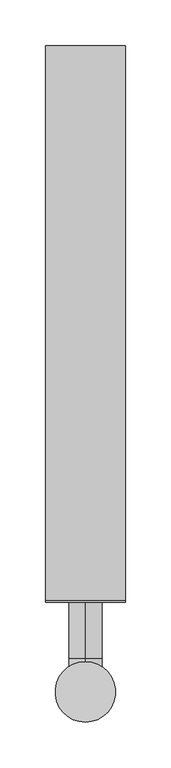
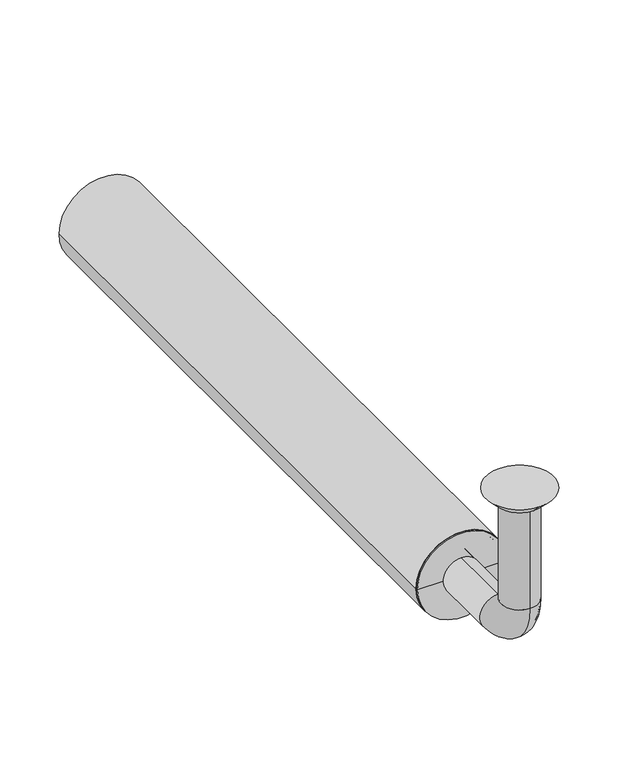
"""IFC4 building model written with IfcOpenShell, lengths in millimetres: beam geometry."""

from ifc_helpers import new_model, si_unit, point, frame, frame_2d, origin, place, context, project, spatial, polyline, circle_curve, ellipse_curve, trimmed, segment, composite_curve, outline, extrude, source, transform, mapped, element, save
from ifc_brep_helpers import plane_surface, cylinder_surface, revolved_surface, advanced_brep


def beam_991f5511(model_context):
    return source(origin(), model_context, "Body", "SolidModel", [
        extrude(outline(composite_curve([segment(trimmed(circle_curve(frame_2d((-150.0, 0.0)), 43.5), [point((-150.0, 43.5))], [point((-150.0, -43.5))], False, "CARTESIAN"), True, "CONTINUOUS"), segment(trimmed(circle_curve(frame_2d((-150.0, 0.0)), 43.5), [point((-150.0, -43.5))], [point((-150.0, 43.5))], False, "CARTESIAN"), True, "CONTINUOUS")], self_intersect=False), holes=[composite_curve([segment(trimmed(circle_curve(frame_2d((-150.0, 0.0)), 40.5), [point((-150.0, 40.5))], [point((-150.0, -40.5))], True, "CARTESIAN"), True, "CONTINUOUS"), segment(trimmed(circle_curve(frame_2d((-150.0, 0.0)), 40.5), [point((-150.0, -40.5))], [point((-150.0, 40.5))], True, "CARTESIAN"), True, "CONTINUOUS")], self_intersect=False)]), frame((0.0, 100.0, 0.0), z_axis=(0.0, 1.0, 0.0), x_axis=(0.0, 0.0, 1.0)), (0.0, 0.0, 1.0), 605.0),
        advanced_brep(
        [(0.0, -18.0, -10.0), (0.0, 18.0, -10.0), (0.0, -17.0, -10.0), (0.0, 17.0, -10.0), (0.0, -18.0, -114.0), (0.0, 18.0, -114.0), (0.0, -17.0, -114.0), (0.0, 17.0, -114.0), (0.0, 36.0, -132.0), (0.0, 36.0, -168.0), (0.0, 36.0, -133.0), (0.0, 36.0, -167.0), (0.0, 123.0, -168.0), (0.0, 123.0, -132.0), (0.0, 123.0, -167.0), (0.0, 123.0, -133.0)],
        [
            (0, 1, circle_curve(frame((0.0, 0.0, -10.0), z_axis=(0.0, 0.0, 1.0), x_axis=(0.0, 1.0, 0.0)), 18.0)),
            (1, 0, circle_curve(frame((0.0, 0.0, -10.0), z_axis=(0.0, 0.0, 1.0), x_axis=(0.0, 1.0, 0.0)), 18.0)),
            (2, 3, circle_curve(frame((0.0, 0.0, -10.0), z_axis=(0.0, 0.0, -1.0), x_axis=(0.0, 1.0, 0.0)), 17.0)),
            (3, 2, circle_curve(frame((0.0, 0.0, -10.0), z_axis=(0.0, 0.0, -1.0), x_axis=(0.0, 1.0, 0.0)), 17.0)),
            (0, 4),
            (4, 5, circle_curve(frame((0.0, 0.0, -114.0), z_axis=(0.0, 0.0, 1.0), x_axis=(0.0, 1.0, 0.0)), 18.0)),
            (5, 1),
            (5, 4, circle_curve(frame((0.0, 0.0, -114.0), z_axis=(0.0, 0.0, 1.0), x_axis=(0.0, 1.0, 0.0)), 18.0)),
            (2, 6),
            (6, 7, circle_curve(frame((0.0, 0.0, -114.0), z_axis=(0.0, 0.0, -1.0), x_axis=(0.0, 1.0, 0.0)), 17.0)),
            (7, 3),
            (7, 6, circle_curve(frame((0.0, 0.0, -114.0), z_axis=(0.0, 0.0, -1.0), x_axis=(0.0, 1.0, 0.0)), 17.0)),
            (8, 5, circle_curve(frame((0.0, 36.0, -114.0), z_axis=(-1.0, 0.0, 0.0), x_axis=(0.0, -1.0, 0.0)), 18.0)),
            (4, 9, circle_curve(frame((0.0, 36.0, -114.0), z_axis=(1.0, 0.0, 0.0), x_axis=(0.0, -1.0, 0.0)), 54.0)),
            (9, 8, circle_curve(frame((0.0, 36.0, -150.0), z_axis=(0.0, -1.0, 0.0), x_axis=(0.0, 0.0, 1.0)), 18.0)),
            (8, 9, circle_curve(frame((0.0, 36.0, -150.0), z_axis=(0.0, -1.0, 0.0), x_axis=(0.0, 0.0, 1.0)), 18.0)),
            (10, 7, circle_curve(frame((0.0, 36.0, -114.0), z_axis=(-1.0, 0.0, 0.0), x_axis=(0.0, -1.0, 0.0)), 19.0)),
            (6, 11, circle_curve(frame((0.0, 36.0, -114.0), z_axis=(1.0, 0.0, 0.0), x_axis=(0.0, -1.0, 0.0)), 53.0)),
            (11, 10, circle_curve(frame((0.0, 36.0, -150.0), z_axis=(0.0, 1.0, 0.0), x_axis=(0.0, 0.0, 1.0)), 17.0)),
            (10, 11, circle_curve(frame((0.0, 36.0, -150.0), z_axis=(0.0, 1.0, 0.0), x_axis=(0.0, 0.0, 1.0)), 17.0)),
            (12, 13, circle_curve(frame((0.0, 123.0, -150.0), z_axis=(0.0, 1.0, 0.0), x_axis=(0.0, 0.0, 1.0)), 18.0)),
            (13, 12, circle_curve(frame((0.0, 123.0, -150.0), z_axis=(0.0, 1.0, 0.0), x_axis=(0.0, 0.0, 1.0)), 18.0)),
            (14, 15, circle_curve(frame((0.0, 123.0, -150.0), z_axis=(0.0, -1.0, 0.0), x_axis=(0.0, 0.0, 1.0)), 17.0)),
            (15, 14, circle_curve(frame((0.0, 123.0, -150.0), z_axis=(0.0, -1.0, 0.0), x_axis=(0.0, 0.0, 1.0)), 17.0)),
            (9, 12),
            (13, 8),
            (11, 14),
            (15, 10),
        ],
        [
            plane_surface(frame((0.0, 0.0, -10.0), z_axis=(0.0, 0.0, 1.0), x_axis=(1.0, 0.0, 0.0))),
            cylinder_surface(frame((0.0, 0.0, -10.0), z_axis=(0.0, 0.0, 1.0), x_axis=(0.0, 1.0, 0.0)), 18.0),
            revolved_surface(polyline([(0.0, 17.0, -114.0), (0.0, 17.0, -10.0)]), (0.0, 0.0, -10.0), (0.0, 0.0, -1.0)),
            revolved_surface(trimmed(ellipse_curve(frame((0.0, 0.0, -114.0), z_axis=(0.0, 0.0, 1.0), x_axis=(0.0, 1.0, 0.0)), 18.0, 18.0), [point((0.0, -18.0, -114.0))], [point((0.0, 18.0, -114.0))], True, "CARTESIAN"), (0.0, 36.0, -114.0), (1.0, 0.0, 0.0)),
            revolved_surface(trimmed(ellipse_curve(frame((0.0, 0.0, -114.0), z_axis=(0.0, 0.0, 1.0), x_axis=(0.0, 1.0, 0.0)), 18.0, 18.0), [point((0.0, 18.0, -114.0))], [point((0.0, -18.0, -114.0))], True, "CARTESIAN"), (0.0, 36.0, -114.0), (1.0, 0.0, 0.0)),
            revolved_surface(trimmed(ellipse_curve(frame((0.0, 0.0, -114.0), z_axis=(0.0, 0.0, -1.0), x_axis=(0.0, 1.0, 0.0)), 17.0, 17.0), [point((0.0, -17.0, -114.0))], [point((0.0, 17.0, -114.0))], True, "CARTESIAN"), (0.0, 36.0, -114.0), (1.0, 0.0, 0.0)),
            revolved_surface(trimmed(ellipse_curve(frame((0.0, 0.0, -114.0), z_axis=(0.0, 0.0, -1.0), x_axis=(0.0, 1.0, 0.0)), 17.0, 17.0), [point((0.0, 17.0, -114.0))], [point((0.0, -17.0, -114.0))], True, "CARTESIAN"), (0.0, 36.0, -114.0), (1.0, 0.0, 0.0)),
            plane_surface(frame((0.0, 123.0, -150.0), z_axis=(0.0, 1.0, 0.0), x_axis=(1.0, 0.0, 0.0))),
            cylinder_surface(frame((0.0, 36.0, -150.0), z_axis=(0.0, -1.0, 0.0), x_axis=(0.0, 0.0, 1.0)), 18.0),
            revolved_surface(polyline([(0.0, 123.0, -133.0), (0.0, 36.0, -133.0)]), (0.0, 36.0, -150.0), (0.0, 1.0, 0.0)),
        ],
        [
            (0, [[1, 2], [3, 4]]),
            (1, [[-1, 5, 6, 7]]),
            (1, [[-2, -7, 8, -5]]),
            (2, [[-3, 9, 10, 11]]),
            (2, [[-4, -11, 12, -9]]),
            (3, [[13, -6, 14, 15]]),
            (4, [[-14, -8, -13, 16]]),
            (5, [[17, -10, 18, 19]]),
            (6, [[-18, -12, -17, 20]]),
            (7, [[21, 22], [23, 24]]),
            (8, [[-15, 25, -22, 26]]),
            (8, [[-16, -26, -21, -25]]),
            (9, [[-19, 27, -24, 28]]),
            (9, [[-20, -28, -23, -27]]),
        ],
    ),
        advanced_brep(
        [(0.0, 23.0, -10.0), (0.0, -23.0, -10.0), (0.0, 33.0, 0.0), (0.0, -33.0, 0.0)],
        [
            (0, 1, circle_curve(frame((0.0, 0.0, -10.0), z_axis=(0.0, 0.0, -1.0), x_axis=(0.0, 1.0, 0.0)), 23.0)),
            (1, 0, circle_curve(frame((0.0, 0.0, -10.0), z_axis=(0.0, 0.0, -1.0), x_axis=(0.0, -1.0, 0.0)), 23.0)),
            (2, 3, circle_curve(frame((0.0, 0.0, 0.0), z_axis=(0.0, 0.0, 1.0), x_axis=(0.0, -1.0, 0.0)), 33.0)),
            (3, 2, circle_curve(frame((0.0, 0.0, 0.0), z_axis=(0.0, 0.0, 1.0), x_axis=(0.0, 1.0, 0.0)), 33.0)),
            (3, 1),
            (0, 2),
        ],
        [
            plane_surface(frame((0.0, 0.0, -10.0), z_axis=(0.0, 0.0, -1.0), x_axis=(-1.0, 0.0, 0.0))),
            plane_surface(frame((0.0, 0.0, 0.0), z_axis=(0.0, 0.0, 1.0), x_axis=(-1.0, 0.0, 0.0))),
            revolved_surface(polyline([(0.0, 23.0, -10.0), (0.0, 33.0, 0.0)]), (0.0, 0.0, -33.0), (0.0, 0.0, 1.0)),
            revolved_surface(polyline([(0.0, -23.0, -10.0), (0.0, -33.0, 0.0)]), (0.0, 0.0, -33.0), (0.0, 0.0, 1.0)),
        ],
        [
            (0, [[1, 2]]),
            (1, [[3, 4]]),
            (2, [[-4, 5, -1, 6]]),
            (3, [[-3, -6, -2, -5]]),
        ],
    ),
        advanced_brep(
        [(40.5, 100.0, -150.0), (-40.5, 100.0, -150.0), (-40.5, 123.0, -150.0), (40.5, 123.0, -150.0), (-18.0, 123.0, -150.0), (18.0, 123.0, -150.0), (-18.0, 98.0, -150.0), (18.0, 98.0, -150.0), (-43.5, 98.0, -150.0), (43.5, 98.0, -150.0), (-43.5, 100.0, -150.0), (43.5, 100.0, -150.0)],
        [
            (0, 1, circle_curve(frame((0.0, 100.0, -150.0), z_axis=(0.0, 1.0, 0.0), x_axis=(-1.0, 0.0, 0.0)), 40.5)),
            (1, 2),
            (2, 3, circle_curve(frame((0.0, 123.0, -150.0), z_axis=(0.0, -1.0, 0.0), x_axis=(-1.0, 0.0, 0.0)), 40.5)),
            (3, 0),
            (1, 0, circle_curve(frame((0.0, 100.0, -150.0), z_axis=(0.0, 1.0, 0.0), x_axis=(-1.0, 0.0, 0.0)), 40.5)),
            (3, 2, circle_curve(frame((0.0, 123.0, -150.0), z_axis=(0.0, -1.0, 0.0), x_axis=(-1.0, 0.0, 0.0)), 40.5)),
            (2, 4),
            (4, 5, circle_curve(frame((0.0, 123.0, -150.0), z_axis=(0.0, -1.0, 0.0), x_axis=(-1.0, 0.0, 0.0)), 18.0)),
            (5, 3),
            (5, 4, circle_curve(frame((0.0, 123.0, -150.0), z_axis=(0.0, -1.0, 0.0), x_axis=(-1.0, 0.0, 0.0)), 18.0)),
            (4, 6),
            (6, 7, circle_curve(frame((0.0, 98.0, -150.0), z_axis=(0.0, -1.0, 0.0), x_axis=(-1.0, 0.0, 0.0)), 18.0)),
            (7, 5),
            (7, 6, circle_curve(frame((0.0, 98.0, -150.0), z_axis=(0.0, -1.0, 0.0), x_axis=(-1.0, 0.0, 0.0)), 18.0)),
            (6, 8),
            (8, 9, circle_curve(frame((0.0, 98.0, -150.0), z_axis=(0.0, -1.0, 0.0), x_axis=(-1.0, 0.0, 0.0)), 43.5)),
            (9, 7),
            (9, 8, circle_curve(frame((0.0, 98.0, -150.0), z_axis=(0.0, -1.0, 0.0), x_axis=(-1.0, 0.0, 0.0)), 43.5)),
            (8, 10),
            (10, 11, circle_curve(frame((0.0, 100.0, -150.0), z_axis=(0.0, -1.0, 0.0), x_axis=(-1.0, 0.0, 0.0)), 43.5)),
            (11, 9),
            (11, 10, circle_curve(frame((0.0, 100.0, -150.0), z_axis=(0.0, -1.0, 0.0), x_axis=(-1.0, 0.0, 0.0)), 43.5)),
            (10, 1),
            (0, 11),
        ],
        [
            cylinder_surface(frame((0.0, 98.0, -150.0), z_axis=(0.0, -1.0, 0.0), x_axis=(-1.0, 0.0, 0.0)), 40.5),
            plane_surface(frame((0.0, 123.0, -150.0), z_axis=(0.0, 1.0, 0.0), x_axis=(-1.0, 0.0, 0.0))),
            revolved_surface(polyline([(-18.0, 98.0, -150.0), (-18.0, 123.0, -150.0)]), (0.0, 98.0, -150.0), (0.0, -1.0, 0.0)),
            plane_surface(frame((0.0, 98.0, -150.0), z_axis=(0.0, -1.0, 0.0), x_axis=(-1.0, 0.0, 0.0))),
            cylinder_surface(frame((0.0, 98.0, -150.0), z_axis=(0.0, -1.0, 0.0), x_axis=(-1.0, 0.0, 0.0)), 43.5),
            plane_surface(frame((0.0, 100.0, -150.0), z_axis=(0.0, 1.0, 0.0), x_axis=(-1.0, 0.0, 0.0))),
        ],
        [
            (0, [[1, 2, 3, 4]]),
            (0, [[5, -4, 6, -2]]),
            (1, [[-3, 7, 8, 9]]),
            (1, [[-6, -9, 10, -7]]),
            (2, [[-8, 11, 12, 13]]),
            (2, [[-10, -13, 14, -11]]),
            (3, [[-12, 15, 16, 17]]),
            (3, [[-14, -17, 18, -15]]),
            (4, [[-16, 19, 20, 21]]),
            (4, [[-18, -21, 22, -19]]),
            (5, [[-20, 23, -1, 24]]),
            (5, [[-22, -24, -5, -23]]),
        ],
    ),
    ])


if __name__ == "__main__":
    model = new_model("IFC4")
    model_context = context("Model", 3, world=origin())
    ifc_project = project(units=[si_unit("LENGTHUNIT", "METRE", prefix="MILLI")], contexts=[model_context])
    site = spatial("IfcSite", under=ifc_project)
    building = spatial("IfcBuilding", under=site)
    placement = place(None, origin())
    beam_shape = beam_991f5511(model_context)
    element("IfcBeam", 1, at=placement, inside=building, context=model_context, shape_type="MappedRepresentation", body=[
        mapped(beam_shape, transform((0.0, 0.0, 0.0), x_axis=(1.0, 0.0, 0.0), y_axis=(0.0, 1.0, 0.0), z_axis=(0.0, 0.0, 1.0))),
    ])
    save(model, "model.ifc")
